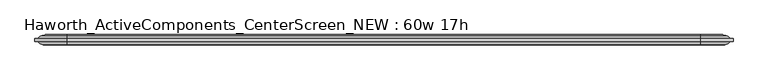
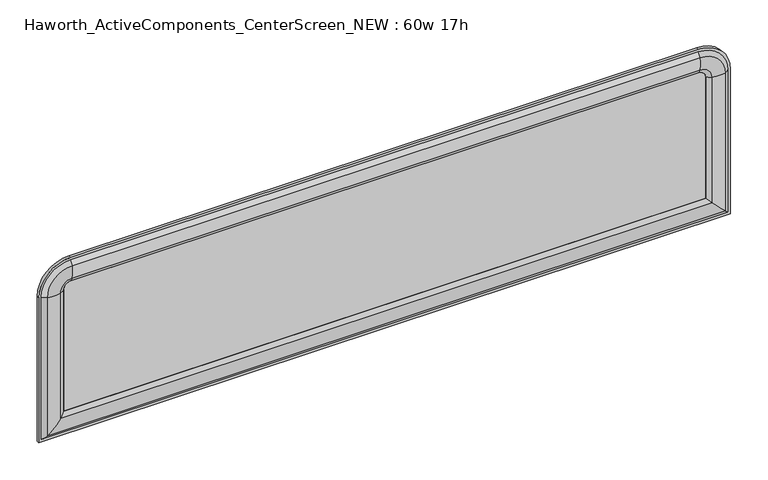
"""IFC4 building model written with IfcOpenShell, lengths in millimetres: furniture geometry, Haworth_ActiveComponents_CenterScreen_NEW : 60w 17h."""

from ifc_helpers import new_model, si_unit, point, frame, frame_2d, origin, place, context, project, spatial, polyline, circle_curve, ellipse_curve, trimmed, segment, composite_curve, outline, extrude, source, transform, mapped, element, save
from ifc_brep_helpers import plane_surface, cylinder_surface, revolved_surface, advanced_brep


def haworth_activecomponents_centerscreen_new_60w_17h_01d72b1f(model_context):
    return source(origin(), model_context, "Body", "SolidModel", [
        advanced_brep(
        [(-626.2471882, -166.5621484, 974.0564604), (-626.2471882, -166.5621484, 639.2852418), (-626.2471882, -172.9121484, 639.2852418), (-626.2471882, -172.9121484, 974.0564604), (-610.7190318, -159.9159876, 974.0564604), (-610.7190318, -159.9159876, 654.8133982), (-620.3740135, -166.5621484, 645.1584165), (-620.3740135, -166.5621484, 974.0564604), (-581.7377339, -160.4494239, 974.0564604), (-581.7377339, -160.4494239, 683.794696), (-571.944509, -166.5621484, 974.0564604), (-571.944509, -166.5621484, 693.587921), (-571.944509, -172.9121484, 974.0564604), (-571.944509, -172.9121484, 693.587921), (-581.7377339, -179.024873, 974.0564604), (-581.7377339, -179.024873, 683.794696), (-610.7190318, -179.5583093, 974.0564604), (-610.7190318, -179.5583093, 654.8133982), (-620.3740135, -172.9121484, 974.0564604), (-620.3740135, -172.9121484, 645.1584165), (889.7721859, -166.5621484, 639.2852418), (889.7721859, -172.9121484, 639.2852418), (874.2440295, -159.9159876, 654.8133982), (883.8990112, -166.5621484, 645.1584165), (845.2627317, -160.4494239, 683.794696), (835.4695068, -166.5621484, 693.587921), (835.4695068, -172.9121484, 693.587921), (845.2627317, -179.024873, 683.794696), (874.2440295, -179.5583093, 654.8133982), (883.8990112, -172.9121484, 645.1584165), (889.7721859, -166.5621484, 974.0564604), (889.7721859, -172.9121484, 974.0564604), (874.2440295, -159.9159876, 974.0564604), (883.8990112, -166.5621484, 974.0564604), (845.2627317, -160.4494239, 974.0564604), (835.4695068, -166.5621484, 974.0564604), (835.4695068, -172.9121484, 974.0564604), (845.2627317, -179.024873, 974.0564604), (874.2440295, -179.5583093, 974.0564604), (883.8990112, -172.9121484, 974.0564604), (819.5945068, -166.5621484, 1044.2341395), (819.5945068, -172.9121484, 1044.2341395), (819.5945068, -159.9159876, 1028.7059832), (819.5945068, -166.5621484, 1038.3609648), (819.5945068, -160.4494239, 999.7246853), (819.5945068, -166.5621484, 989.9314604), (819.5945068, -172.9121484, 989.9314604), (819.5945068, -179.024873, 999.7246853), (819.5945068, -179.5583093, 1028.7059832), (819.5945068, -172.9121484, 1038.3609648), (-556.069509, -166.5621484, 1044.2341395), (-556.069509, -172.9121484, 1044.2341395), (-556.069509, -159.9159876, 1028.7059832), (-556.069509, -166.5621484, 1038.3609648), (-556.069509, -160.4494239, 999.7246853), (-556.069509, -166.5621484, 989.9314604), (-556.069509, -172.9121484, 989.9314604), (-556.069509, -179.024873, 999.7246853), (-556.069509, -179.5583093, 1028.7059832), (-556.069509, -172.9121484, 1038.3609648)],
        [
            (0, 1),
            (1, 2),
            (2, 3),
            (3, 0),
            (4, 5),
            (5, 6, ellipse_curve(frame((-606.5239346, -176.3463227, 659.0084954), z_axis=(-0.707106781186545, 0.0, 0.7071067811865499), x_axis=(0.7071067811865498, 0.0, 0.7071067811865452)), 23.9814408, 16.9574394)),
            (6, 7),
            (7, 4, circle_curve(frame((-606.5239346, -176.3463227, 974.0564604), z_axis=(0.0, 0.0, -1.0), x_axis=(0.0, 1.0, 0.0)), 16.9574394)),
            (8, 9),
            (9, 5, ellipse_curve(frame((-597.1981786, -212.871172, 668.3342514), z_axis=(-0.707106781186545, 0.0, 0.7071067811865499), x_axis=(0.7071067811865498, 0.0, 0.7071067811865452)), 77.2924967, 54.6540486)),
            (4, 8, circle_curve(frame((-597.1981786, -212.871172, 974.0564604), z_axis=(0.0, 0.0, -1.0), x_axis=(0.0, 1.0, 0.0)), 54.6540486)),
            (10, 11),
            (11, 9, ellipse_curve(frame((-587.8325958, -181.115279, 677.6998342), z_axis=(-0.707106781186545, 0.0, 0.7071067811865499), x_axis=(0.7071067811865498, 0.0, 0.7071067811865452)), 30.4704745, 21.5458792)),
            (8, 10, circle_curve(frame((-587.8325958, -181.115279, 974.0564604), z_axis=(0.0, 0.0, -1.0), x_axis=(0.0, 1.0, 0.0)), 21.5458792)),
            (12, 13),
            (13, 11),
            (10, 12),
            (14, 15),
            (15, 13, ellipse_curve(frame((-587.8325958, -158.3590179, 677.6998342), z_axis=(-0.707106781186545, 0.0, 0.7071067811865499), x_axis=(0.7071067811865498, 0.0, 0.7071067811865452)), 30.4704745, 21.5458792)),
            (12, 14, circle_curve(frame((-587.8325958, -158.3590179, 974.0564604), z_axis=(0.0, 0.0, -1.0), x_axis=(0.0, 1.0, 0.0)), 21.5458792)),
            (16, 17),
            (17, 15, ellipse_curve(frame((-597.1981786, -126.6031249, 668.3342514), z_axis=(-0.707106781186545, 0.0, 0.7071067811865499), x_axis=(0.7071067811865498, 0.0, 0.7071067811865452)), 77.2924967, 54.6540486)),
            (14, 16, circle_curve(frame((-597.1981786, -126.6031249, 974.0564604), z_axis=(0.0, 0.0, -1.0), x_axis=(0.0, 1.0, 0.0)), 54.6540486)),
            (18, 19),
            (19, 17, ellipse_curve(frame((-606.5239346, -163.1279742, 659.0084954), z_axis=(-0.707106781186545, 0.0, 0.7071067811865499), x_axis=(0.7071067811865498, 0.0, 0.7071067811865452)), 23.9814408, 16.9574394)),
            (16, 18, circle_curve(frame((-606.5239346, -163.1279742, 974.0564604), z_axis=(0.0, 0.0, -1.0), x_axis=(0.0, 1.0, 0.0)), 16.9574394)),
            (1, 20),
            (20, 21),
            (21, 2),
            (5, 22),
            (22, 23, ellipse_curve(frame((870.0489323, -176.3463227, 659.0084954), z_axis=(-0.70710678118655, 0.0, -0.7071067811865451), x_axis=(-0.7071067811865449, 0.0, 0.7071067811865501)), 23.9814408, 16.9574394)),
            (23, 6),
            (9, 24),
            (24, 22, ellipse_curve(frame((860.7231764, -212.871172, 668.3342514), z_axis=(-0.70710678118655, 0.0, -0.7071067811865451), x_axis=(-0.7071067811865449, 0.0, 0.7071067811865501)), 77.2924967, 54.6540486)),
            (11, 25),
            (25, 24, ellipse_curve(frame((851.3575935, -181.115279, 677.6998342), z_axis=(-0.70710678118655, 0.0, -0.7071067811865451), x_axis=(-0.7071067811865449, 0.0, 0.7071067811865501)), 30.4704745, 21.5458792)),
            (13, 26),
            (26, 25),
            (15, 27),
            (27, 26, ellipse_curve(frame((851.3575935, -158.3590179, 677.6998342), z_axis=(-0.70710678118655, 0.0, -0.7071067811865451), x_axis=(-0.7071067811865449, 0.0, 0.7071067811865501)), 30.4704745, 21.5458792)),
            (17, 28),
            (28, 27, ellipse_curve(frame((860.7231764, -126.6031249, 668.3342514), z_axis=(-0.70710678118655, 0.0, -0.7071067811865451), x_axis=(-0.7071067811865449, 0.0, 0.7071067811865501)), 77.2924967, 54.6540486)),
            (19, 29),
            (29, 28, ellipse_curve(frame((870.0489323, -163.1279742, 659.0084954), z_axis=(-0.70710678118655, 0.0, -0.7071067811865451), x_axis=(-0.7071067811865449, 0.0, 0.7071067811865501)), 23.9814408, 16.9574394)),
            (20, 30),
            (30, 31),
            (31, 21),
            (22, 32),
            (32, 33, circle_curve(frame((870.0489323, -176.3463227, 974.0564604), z_axis=(0.0, 0.0, -1.0), x_axis=(0.0, 1.0, 0.0)), 16.9574394)),
            (33, 23),
            (24, 34),
            (34, 32, circle_curve(frame((860.7231764, -212.871172, 974.0564604), z_axis=(0.0, 0.0, -1.0), x_axis=(0.0, 1.0, 0.0)), 54.6540486)),
            (25, 35),
            (35, 34, circle_curve(frame((851.3575935, -181.115279, 974.0564604), z_axis=(0.0, 0.0, -1.0), x_axis=(0.0, 1.0, 0.0)), 21.5458792)),
            (26, 36),
            (36, 35),
            (27, 37),
            (37, 36, circle_curve(frame((851.3575935, -158.3590179, 974.0564604), z_axis=(0.0, 0.0, -1.0), x_axis=(0.0, 1.0, 0.0)), 21.5458792)),
            (28, 38),
            (38, 37, circle_curve(frame((860.7231764, -126.6031249, 974.0564604), z_axis=(0.0, 0.0, -1.0), x_axis=(0.0, 1.0, 0.0)), 54.6540486)),
            (29, 39),
            (39, 38, circle_curve(frame((870.0489323, -163.1279742, 974.0564604), z_axis=(0.0, 0.0, -1.0), x_axis=(0.0, 1.0, 0.0)), 16.9574394)),
            (40, 41),
            (41, 31, circle_curve(frame((819.5945068, -172.9121484, 974.0564604), z_axis=(0.0, 1.0, 0.0), x_axis=(1.0, 0.0, 0.0)), 70.1776791)),
            (30, 40, circle_curve(frame((819.5945068, -166.5621484, 974.0564604), z_axis=(0.0, -1.0, 0.0), x_axis=(1.0, 0.0, 0.0)), 70.1776791)),
            (42, 43, circle_curve(frame((819.5945068, -176.3463227, 1024.5108859), z_axis=(1.0, 0.0, 0.0), x_axis=(0.0, 1.0, 0.0)), 16.9574394)),
            (43, 33, circle_curve(frame((819.5945068, -166.5621484, 974.0564604), z_axis=(0.0, 1.0, 0.0), x_axis=(1.0, 0.0, 0.0)), 64.3045045)),
            (32, 42, circle_curve(frame((819.5945068, -159.9159876, 974.0564604), z_axis=(0.0, -1.0, 0.0), x_axis=(1.0, 0.0, 0.0)), 54.6495228)),
            (44, 42, circle_curve(frame((819.5945068, -212.871172, 1015.18513), z_axis=(1.0, 0.0, 0.0), x_axis=(0.0, 1.0, 0.0)), 54.6540486)),
            (34, 44, circle_curve(frame((819.5945068, -160.4494239, 974.0564604), z_axis=(0.0, -1.0, 0.0), x_axis=(1.0, 0.0, 0.0)), 25.6682249)),
            (45, 44, circle_curve(frame((819.5945068, -181.115279, 1005.8195471), z_axis=(1.0, 0.0, 0.0), x_axis=(0.0, 1.0, 0.0)), 21.5458792)),
            (35, 45, circle_curve(frame((819.5945068, -166.5621484, 974.0564604), z_axis=(0.0, -1.0, 0.0), x_axis=(1.0, 0.0, 0.0)), 15.875)),
            (46, 45),
            (36, 46, circle_curve(frame((819.5945068, -172.9121484, 974.0564604), z_axis=(0.0, -1.0, 0.0), x_axis=(1.0, 0.0, 0.0)), 15.875)),
            (47, 46, circle_curve(frame((819.5945068, -158.3590179, 1005.8195471), z_axis=(1.0, 0.0, 0.0), x_axis=(0.0, 1.0, 0.0)), 21.5458792)),
            (37, 47, circle_curve(frame((819.5945068, -179.024873, 974.0564604), z_axis=(0.0, -1.0, 0.0), x_axis=(1.0, 0.0, 0.0)), 25.6682249)),
            (48, 47, circle_curve(frame((819.5945068, -126.6031249, 1015.18513), z_axis=(1.0, 0.0, 0.0), x_axis=(0.0, 1.0, 0.0)), 54.6540486)),
            (38, 48, circle_curve(frame((819.5945068, -179.5583093, 974.0564604), z_axis=(0.0, -1.0, 0.0), x_axis=(1.0, 0.0, 0.0)), 54.6495228)),
            (49, 48, circle_curve(frame((819.5945068, -163.1279742, 1024.5108859), z_axis=(1.0, 0.0, 0.0), x_axis=(0.0, 1.0, 0.0)), 16.9574394)),
            (39, 49, circle_curve(frame((819.5945068, -172.9121484, 974.0564604), z_axis=(0.0, -1.0, 0.0), x_axis=(1.0, 0.0, 0.0)), 64.3045045)),
            (40, 50),
            (50, 51),
            (51, 41),
            (42, 52),
            (52, 53, circle_curve(frame((-556.069509, -176.3463227, 1024.5108859), z_axis=(1.0, 0.0, 0.0), x_axis=(0.0, 1.0, 0.0)), 16.9574394)),
            (53, 43),
            (44, 54),
            (54, 52, circle_curve(frame((-556.069509, -212.871172, 1015.18513), z_axis=(1.0, 0.0, 0.0), x_axis=(0.0, 1.0, 0.0)), 54.6540486)),
            (45, 55),
            (55, 54, circle_curve(frame((-556.069509, -181.115279, 1005.8195471), z_axis=(1.0, 0.0, 0.0), x_axis=(0.0, 1.0, 0.0)), 21.5458792)),
            (46, 56),
            (56, 55),
            (47, 57),
            (57, 56, circle_curve(frame((-556.069509, -158.3590179, 1005.8195471), z_axis=(1.0, 0.0, 0.0), x_axis=(0.0, 1.0, 0.0)), 21.5458792)),
            (48, 58),
            (58, 57, circle_curve(frame((-556.069509, -126.6031249, 1015.18513), z_axis=(1.0, 0.0, 0.0), x_axis=(0.0, 1.0, 0.0)), 54.6540486)),
            (49, 59),
            (59, 58, circle_curve(frame((-556.069509, -163.1279742, 1024.5108859), z_axis=(1.0, 0.0, 0.0), x_axis=(0.0, 1.0, 0.0)), 16.9574394)),
            (3, 51, circle_curve(frame((-556.069509, -172.9121484, 974.0564604), z_axis=(0.0, 1.0, 0.0), x_axis=(0.0, 0.0, 1.0)), 70.1776791)),
            (50, 0, circle_curve(frame((-556.069509, -166.5621484, 974.0564604), z_axis=(0.0, -1.0, 0.0), x_axis=(0.0, 0.0, 1.0)), 70.1776791)),
            (53, 7, circle_curve(frame((-556.069509, -166.5621484, 974.0564604), z_axis=(0.0, -1.0, 0.0), x_axis=(0.0, 0.0, 1.0)), 64.3045045)),
            (52, 4, circle_curve(frame((-556.069509, -159.9159876, 974.0564604), z_axis=(0.0, -1.0, 0.0), x_axis=(0.0, 0.0, 1.0)), 54.6495228)),
            (54, 8, circle_curve(frame((-556.069509, -160.4494239, 974.0564604), z_axis=(0.0, -1.0, 0.0), x_axis=(0.0, 0.0, 1.0)), 25.6682249)),
            (55, 10, circle_curve(frame((-556.069509, -166.5621484, 974.0564604), z_axis=(0.0, -1.0, 0.0), x_axis=(0.0, 0.0, 1.0)), 15.875)),
            (56, 12, circle_curve(frame((-556.069509, -172.9121484, 974.0564604), z_axis=(0.0, -1.0, 0.0), x_axis=(0.0, 0.0, 1.0)), 15.875)),
            (57, 14, circle_curve(frame((-556.069509, -179.024873, 974.0564604), z_axis=(0.0, -1.0, 0.0), x_axis=(0.0, 0.0, 1.0)), 25.6682249)),
            (58, 16, circle_curve(frame((-556.069509, -179.5583093, 974.0564604), z_axis=(0.0, -1.0, 0.0), x_axis=(0.0, 0.0, 1.0)), 54.6495228)),
            (59, 18, circle_curve(frame((-556.069509, -172.9121484, 974.0564604), z_axis=(0.0, -1.0, 0.0), x_axis=(0.0, 0.0, 1.0)), 64.3045045)),
        ],
        [
            plane_surface(frame((-626.2471882, -172.9121484, 974.0564604), z_axis=(-1.0, 0.0, 0.0), x_axis=(0.0, 0.0, -1.0))),
            cylinder_surface(frame((-606.5239346, -176.3463227, 974.0564604), z_axis=(0.0, 0.0, 1.0), x_axis=(0.0, 1.0, 0.0)), 16.9574394),
            cylinder_surface(frame((-597.1981786, -212.871172, 974.0564604), z_axis=(0.0, 0.0, 1.0), x_axis=(0.0, 1.0, 0.0)), 54.6540486),
            cylinder_surface(frame((-587.8325958, -181.115279, 974.0564604), z_axis=(0.0, 0.0, 1.0), x_axis=(0.0, 1.0, 0.0)), 21.5458792),
            plane_surface(frame((-571.944509, -166.5621484, 974.0564604), z_axis=(1.0, 0.0, 0.0), x_axis=(0.0, 0.0, -1.0))),
            cylinder_surface(frame((-587.8325958, -158.3590179, 974.0564604), z_axis=(0.0, 0.0, 1.0), x_axis=(0.0, 1.0, 0.0)), 21.5458792),
            cylinder_surface(frame((-597.1981786, -126.6031249, 974.0564604), z_axis=(0.0, 0.0, 1.0), x_axis=(0.0, 1.0, 0.0)), 54.6540486),
            cylinder_surface(frame((-606.5239346, -163.1279742, 974.0564604), z_axis=(0.0, 0.0, 1.0), x_axis=(0.0, 1.0, 0.0)), 16.9574394),
            plane_surface(frame((-626.2471882, -172.9121484, 639.2852418), z_axis=(0.0, 0.0, -1.0), x_axis=(1.0, 0.0, 0.0))),
            cylinder_surface(frame((-571.944509, -176.3463227, 659.0084954), z_axis=(-1.0, 0.0, 0.0), x_axis=(0.0, 1.0, 0.0)), 16.9574394),
            cylinder_surface(frame((-571.944509, -212.871172, 668.3342514), z_axis=(-1.0, 0.0, 0.0), x_axis=(0.0, 1.0, 0.0)), 54.6540486),
            cylinder_surface(frame((-571.944509, -181.115279, 677.6998342), z_axis=(-1.0, 0.0, 0.0), x_axis=(0.0, 1.0, 0.0)), 21.5458792),
            plane_surface(frame((-571.944509, -166.5621484, 693.587921), z_axis=(0.0, 0.0, 1.0), x_axis=(1.0, 0.0, 0.0))),
            cylinder_surface(frame((-571.944509, -158.3590179, 677.6998342), z_axis=(-1.0, 0.0, 0.0), x_axis=(0.0, 1.0, 0.0)), 21.5458792),
            cylinder_surface(frame((-571.944509, -126.6031249, 668.3342514), z_axis=(-1.0, 0.0, 0.0), x_axis=(0.0, 1.0, 0.0)), 54.6540486),
            cylinder_surface(frame((-571.944509, -163.1279742, 659.0084954), z_axis=(-1.0, 0.0, 0.0), x_axis=(0.0, 1.0, 0.0)), 16.9574394),
            plane_surface(frame((889.7721859, -172.9121484, 639.2852418), z_axis=(1.0, 0.0, 0.0), x_axis=(0.0, 0.0, 1.0))),
            cylinder_surface(frame((870.0489323, -176.3463227, 693.587921), z_axis=(0.0, 0.0, -1.0), x_axis=(0.0, 1.0, 0.0)), 16.9574394),
            cylinder_surface(frame((860.7231764, -212.871172, 693.587921), z_axis=(0.0, 0.0, -1.0), x_axis=(0.0, 1.0, 0.0)), 54.6540486),
            cylinder_surface(frame((851.3575935, -181.115279, 693.587921), z_axis=(0.0, 0.0, -1.0), x_axis=(0.0, 1.0, 0.0)), 21.5458792),
            plane_surface(frame((835.4695068, -166.5621484, 693.587921), z_axis=(-1.0, 0.0, 0.0), x_axis=(0.0, 0.0, 1.0))),
            cylinder_surface(frame((851.3575935, -158.3590179, 693.587921), z_axis=(0.0, 0.0, -1.0), x_axis=(0.0, 1.0, 0.0)), 21.5458792),
            cylinder_surface(frame((860.7231764, -126.6031249, 693.587921), z_axis=(0.0, 0.0, -1.0), x_axis=(0.0, 1.0, 0.0)), 54.6540486),
            cylinder_surface(frame((870.0489323, -163.1279742, 693.587921), z_axis=(0.0, 0.0, -1.0), x_axis=(0.0, 1.0, 0.0)), 16.9574394),
            cylinder_surface(frame((819.5945068, -166.5621484, 974.0564604), z_axis=(0.0, 1.0, 0.0), x_axis=(1.0, 0.0, 0.0)), 70.1776791),
            revolved_surface(trimmed(ellipse_curve(frame((870.0489323, -176.3463227, 974.0564604), z_axis=(0.0, 0.0, 1.0), x_axis=(0.0, 1.0, 0.0)), 16.9574394, 16.9574394), [point((883.8990112, -166.5621484, 974.0564604))], [point((874.2440295, -159.9159876, 974.0564604))], True, "CARTESIAN"), (819.5945068, -166.5621484, 974.0564604), (0.0, 1.0, 0.0)),
            revolved_surface(trimmed(ellipse_curve(frame((860.7231764, -212.871172, 974.0564604), z_axis=(0.0, 0.0, 1.0), x_axis=(0.0, 1.0, 0.0)), 54.6540486, 54.6540486), [point((874.2440295, -159.9159876, 974.0564604))], [point((845.2627317, -160.4494239, 974.0564604))], True, "CARTESIAN"), (819.5945068, -166.5621484, 974.0564604), (0.0, 1.0, 0.0)),
            revolved_surface(trimmed(ellipse_curve(frame((851.3575935, -181.115279, 974.0564604), z_axis=(0.0, 0.0, 1.0), x_axis=(0.0, 1.0, 0.0)), 21.5458792, 21.5458792), [point((845.2627317, -160.4494239, 974.0564604))], [point((835.4695068, -166.5621484, 974.0564604))], True, "CARTESIAN"), (819.5945068, -166.5621484, 974.0564604), (0.0, 1.0, 0.0)),
            revolved_surface(polyline([(835.4695068, -166.5621484, 974.0564604), (835.4695068, -172.9121484, 974.0564604)]), (819.5945068, -166.5621484, 974.0564604), (0.0, 1.0, 0.0)),
            revolved_surface(trimmed(ellipse_curve(frame((851.3575935, -158.3590179, 974.0564604), z_axis=(0.0, 0.0, 1.0), x_axis=(0.0, 1.0, 0.0)), 21.5458792, 21.5458792), [point((835.4695068, -172.9121484, 974.0564604))], [point((845.2627317, -179.024873, 974.0564604))], True, "CARTESIAN"), (819.5945068, -166.5621484, 974.0564604), (0.0, 1.0, 0.0)),
            revolved_surface(trimmed(ellipse_curve(frame((860.7231764, -126.6031249, 974.0564604), z_axis=(0.0, 0.0, 1.0), x_axis=(0.0, 1.0, 0.0)), 54.6540486, 54.6540486), [point((845.2627317, -179.024873, 974.0564604))], [point((874.2440295, -179.5583093, 974.0564604))], True, "CARTESIAN"), (819.5945068, -166.5621484, 974.0564604), (0.0, 1.0, 0.0)),
            revolved_surface(trimmed(ellipse_curve(frame((870.0489323, -163.1279742, 974.0564604), z_axis=(0.0, 0.0, 1.0), x_axis=(0.0, 1.0, 0.0)), 16.9574394, 16.9574394), [point((874.2440295, -179.5583093, 974.0564604))], [point((883.8990112, -172.9121484, 974.0564604))], True, "CARTESIAN"), (819.5945068, -166.5621484, 974.0564604), (0.0, 1.0, 0.0)),
            plane_surface(frame((819.5945068, -172.9121484, 1044.2341395), z_axis=(0.0, 0.0, 1.0), x_axis=(-1.0, 0.0, 0.0))),
            cylinder_surface(frame((819.5945068, -176.3463227, 1024.5108859), z_axis=(1.0, 0.0, 0.0), x_axis=(0.0, 1.0, 0.0)), 16.9574394),
            cylinder_surface(frame((819.5945068, -212.871172, 1015.18513), z_axis=(1.0, 0.0, 0.0), x_axis=(0.0, 1.0, 0.0)), 54.6540486),
            cylinder_surface(frame((819.5945068, -181.115279, 1005.8195471), z_axis=(1.0, 0.0, 0.0), x_axis=(0.0, 1.0, 0.0)), 21.5458792),
            plane_surface(frame((819.5945068, -166.5621484, 989.9314604), z_axis=(0.0, 0.0, -1.0), x_axis=(-1.0, 0.0, 0.0))),
            cylinder_surface(frame((819.5945068, -158.3590179, 1005.8195471), z_axis=(1.0, 0.0, 0.0), x_axis=(0.0, 1.0, 0.0)), 21.5458792),
            cylinder_surface(frame((819.5945068, -126.6031249, 1015.18513), z_axis=(1.0, 0.0, 0.0), x_axis=(0.0, 1.0, 0.0)), 54.6540486),
            cylinder_surface(frame((819.5945068, -163.1279742, 1024.5108859), z_axis=(1.0, 0.0, 0.0), x_axis=(0.0, 1.0, 0.0)), 16.9574394),
            cylinder_surface(frame((-556.069509, -166.5621484, 974.0564604), z_axis=(0.0, 1.0, 0.0), x_axis=(0.0, 0.0, 1.0)), 70.1776791),
            plane_surface(frame((-556.069509, -166.5621484, 974.0564604), z_axis=(0.0, 1.0, 0.0), x_axis=(0.0, 0.0, 1.0))),
            revolved_surface(trimmed(ellipse_curve(frame((-556.069509, -176.3463227, 1024.5108859), z_axis=(-1.0, 0.0, 0.0), x_axis=(0.0, 1.0, 0.0)), 16.9574394, 16.9574394), [point((-556.069509, -166.5621484, 1038.3609648))], [point((-556.069509, -159.9159876, 1028.7059832))], True, "CARTESIAN"), (-556.069509, -166.5621484, 974.0564604), (0.0, 1.0, 0.0)),
            revolved_surface(trimmed(ellipse_curve(frame((-556.069509, -212.871172, 1015.18513), z_axis=(-1.0, 0.0, 0.0), x_axis=(0.0, 1.0, 0.0)), 54.6540486, 54.6540486), [point((-556.069509, -159.9159876, 1028.7059832))], [point((-556.069509, -160.4494239, 999.7246853))], True, "CARTESIAN"), (-556.069509, -166.5621484, 974.0564604), (0.0, 1.0, 0.0)),
            revolved_surface(trimmed(ellipse_curve(frame((-556.069509, -181.115279, 1005.8195471), z_axis=(-1.0, 0.0, 0.0), x_axis=(0.0, 1.0, 0.0)), 21.5458792, 21.5458792), [point((-556.069509, -160.4494239, 999.7246853))], [point((-556.069509, -166.5621484, 989.9314604))], True, "CARTESIAN"), (-556.069509, -166.5621484, 974.0564604), (0.0, 1.0, 0.0)),
            revolved_surface(polyline([(-556.069509, -166.5621484, 989.9314604), (-556.069509, -172.9121484, 989.9314604)]), (-556.069509, -166.5621484, 974.0564604), (0.0, 1.0, 0.0)),
            revolved_surface(trimmed(ellipse_curve(frame((-556.069509, -158.3590179, 1005.8195471), z_axis=(-1.0, 0.0, 0.0), x_axis=(0.0, 1.0, 0.0)), 21.5458792, 21.5458792), [point((-556.069509, -172.9121484, 989.9314604))], [point((-556.069509, -179.024873, 999.7246853))], True, "CARTESIAN"), (-556.069509, -166.5621484, 974.0564604), (0.0, 1.0, 0.0)),
            revolved_surface(trimmed(ellipse_curve(frame((-556.069509, -126.6031249, 1015.18513), z_axis=(-1.0, 0.0, 0.0), x_axis=(0.0, 1.0, 0.0)), 54.6540486, 54.6540486), [point((-556.069509, -179.024873, 999.7246853))], [point((-556.069509, -179.5583093, 1028.7059832))], True, "CARTESIAN"), (-556.069509, -166.5621484, 974.0564604), (0.0, 1.0, 0.0)),
            revolved_surface(trimmed(ellipse_curve(frame((-556.069509, -163.1279742, 1024.5108859), z_axis=(-1.0, 0.0, 0.0), x_axis=(0.0, 1.0, 0.0)), 16.9574394, 16.9574394), [point((-556.069509, -179.5583093, 1028.7059832))], [point((-556.069509, -172.9121484, 1038.3609648))], True, "CARTESIAN"), (-556.069509, -166.5621484, 974.0564604), (0.0, 1.0, 0.0)),
            plane_surface(frame((-556.069509, -172.9121484, 974.0564604), z_axis=(0.0, -1.0, 0.0), x_axis=(0.0, 0.0, 1.0))),
        ],
        [
            (0, [[1, 2, 3, 4]]),
            (1, [[5, 6, 7, 8]]),
            (2, [[9, 10, -5, 11]]),
            (3, [[12, 13, -9, 14]]),
            (4, [[15, 16, -12, 17]]),
            (5, [[18, 19, -15, 20]]),
            (6, [[21, 22, -18, 23]]),
            (7, [[24, 25, -21, 26]]),
            (8, [[27, 28, 29, -2]]),
            (9, [[30, 31, 32, -6]]),
            (10, [[33, 34, -30, -10]]),
            (11, [[35, 36, -33, -13]]),
            (12, [[37, 38, -35, -16]]),
            (13, [[39, 40, -37, -19]]),
            (14, [[41, 42, -39, -22]]),
            (15, [[43, 44, -41, -25]]),
            (16, [[45, 46, 47, -28]]),
            (17, [[48, 49, 50, -31]]),
            (18, [[51, 52, -48, -34]]),
            (19, [[53, 54, -51, -36]]),
            (20, [[55, 56, -53, -38]]),
            (21, [[57, 58, -55, -40]]),
            (22, [[59, 60, -57, -42]]),
            (23, [[61, 62, -59, -44]]),
            (24, [[63, 64, -46, 65]]),
            (25, [[66, 67, -49, 68]]),
            (26, [[69, -68, -52, 70]]),
            (27, [[71, -70, -54, 72]]),
            (28, [[73, -72, -56, 74]]),
            (29, [[75, -74, -58, 76]]),
            (30, [[77, -76, -60, 78]]),
            (31, [[79, -78, -62, 80]]),
            (32, [[81, 82, 83, -63]]),
            (33, [[84, 85, 86, -66]]),
            (34, [[87, 88, -84, -69]]),
            (35, [[89, 90, -87, -71]]),
            (36, [[91, 92, -89, -73]]),
            (37, [[93, 94, -91, -75]]),
            (38, [[95, 96, -93, -77]]),
            (39, [[97, 98, -95, -79]]),
            (40, [[-4, 99, -82, 100]]),
            (41, [[-45, -27, -1, -100, -81, -65], [-7, -32, -50, -67, -86, 101]]),
            (42, [[-8, -101, -85, 102]]),
            (43, [[-11, -102, -88, 103]]),
            (44, [[-14, -103, -90, 104]]),
            (45, [[-17, -104, -92, 105]]),
            (46, [[-20, -105, -94, 106]]),
            (47, [[-23, -106, -96, 107]]),
            (48, [[-26, -107, -98, 108]]),
            (49, [[-3, -29, -47, -64, -83, -99], [-61, -43, -24, -108, -97, -80]]),
        ],
    ),
        extrude(outline(composite_curve([segment(polyline([(693.587921, 835.4695068), (974.0564604, 835.4695068)]), True, "CONTINUOUS"), segment(trimmed(circle_curve(frame_2d((974.0564604, 819.5945068)), 15.875), [point((974.0564604, 835.4695068))], [point((989.9314604, 819.5945068))], False, "CARTESIAN"), True, "CONTINUOUS"), segment(polyline([(989.9314604, 819.5945068), (989.9314604, -556.069509)]), True, "CONTINUOUS"), segment(trimmed(circle_curve(frame_2d((974.0564604, -556.069509)), 15.875), [point((989.9314604, -556.069509))], [point((974.0564604, -571.944509))], False, "CARTESIAN"), True, "CONTINUOUS"), segment(polyline([(974.0564604, -571.944509), (693.587921, -571.944509), (693.587921, 835.4695068)]), True, "CONTINUOUS")], self_intersect=False)), frame((0.0, -172.9121484, 0.0), z_axis=(0.0, 1.0, 0.0), x_axis=(0.0, 0.0, 1.0)), (0.0, 0.0, 1.0), 6.35),
    ])


if __name__ == "__main__":
    model = new_model("IFC4")
    model_context = context("Model", 3, world=origin())
    ifc_project = project(units=[si_unit("LENGTHUNIT", "METRE", prefix="MILLI")], contexts=[model_context])
    site = spatial("IfcSite", under=ifc_project)
    building = spatial("IfcBuilding", under=site)
    placement = place(None, origin())
    haworth_activecomponents_centerscreen_new_60w_17h_shape = haworth_activecomponents_centerscreen_new_60w_17h_01d72b1f(model_context)
    element("IfcFurniture", 1, ObjectType="Haworth_ActiveComponents_CenterScreen_NEW : 60w 17h", at=placement, inside=building, context=model_context, shape_type="MappedRepresentation", body=[
        mapped(haworth_activecomponents_centerscreen_new_60w_17h_shape, transform((0.0, 0.0, 0.0), x_axis=(1.0, 0.0, 0.0), y_axis=(0.0, 1.0, 0.0), z_axis=(0.0, 0.0, 1.0))),
    ])
    save(model, "model.ifc")
